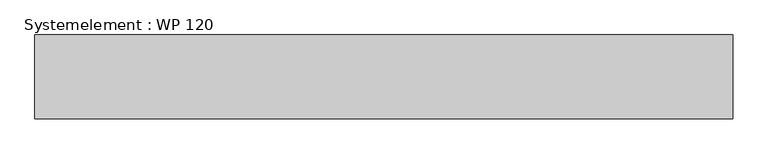
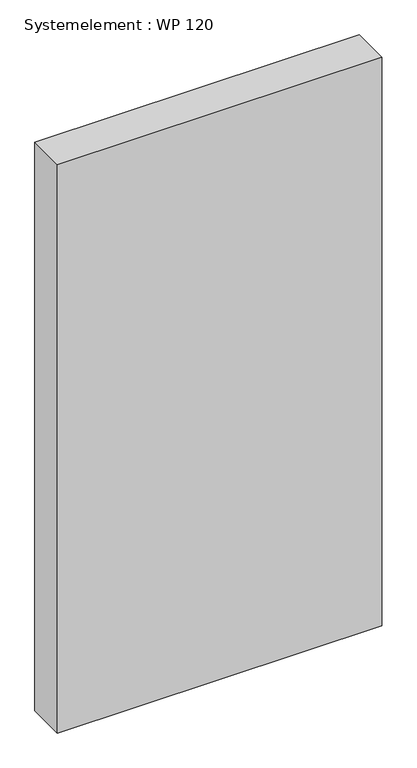
"""IFC4 building model written with IfcOpenShell, lengths in millimetres: plate geometry, Systemelement : WP 120."""

from ifc_helpers import new_model, si_unit, origin, origin_with_axes, place, context, project, spatial, polyline, outline, extrude, source, transform, mapped, element, save


def systemelement_wp_120_d5f9371b(model_context):
    return source(origin(), model_context, "Body", "SweptSolid", [
        extrude(outline(polyline([(500.0, -120.0), (-500.0, -120.0), (-500.0, 0.0), (500.0, 0.0), (500.0, -120.0)])), origin_with_axes(), (0.0, 0.0, 1.0), 1851.6147161),
    ])


if __name__ == "__main__":
    model = new_model("IFC4")
    model_context = context("Model", 3, world=origin())
    ifc_project = project(units=[si_unit("LENGTHUNIT", "METRE", prefix="MILLI")], contexts=[model_context])
    site = spatial("IfcSite", under=ifc_project)
    building = spatial("IfcBuilding", under=site)
    placement = place(None, origin())
    systemelement_wp_120_shape = systemelement_wp_120_d5f9371b(model_context)
    element("IfcPlate", 1, ObjectType="Systemelement : WP 120", at=placement, inside=building, context=model_context, shape_type="MappedRepresentation", body=[
        mapped(systemelement_wp_120_shape, transform((0.0, 0.0, 0.0), x_axis=(1.0, 0.0, 0.0), y_axis=(0.0, 1.0, 0.0), z_axis=(0.0, 0.0, 1.0))),
    ])
    save(model, "model.ifc")
